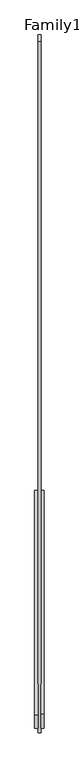
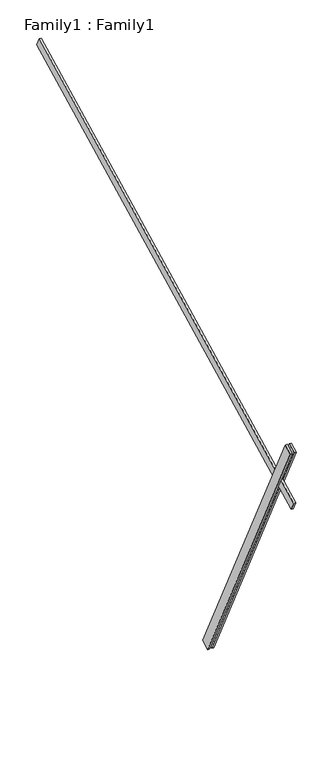
"""IFC4 building model written with IfcOpenShell, lengths in millimetres: proxy geometry, Family1 : Family1."""

from ifc_helpers import new_model, si_unit, frame, origin, place, context, project, spatial, polyline, outline, extrude, source, transform, mapped, element, save


def family1_family1_06c02d48(model_context):
    return source(origin(), model_context, "Body", "SweptSolid", [
        extrude(outline(polyline([(0.0, 0.0), (-100.0000001, 0.0), (-100.0000001, 20.0), (0.0, 20.0), (0.0, 0.0)])), frame((-30.0, -46.3241747, -22.5938096), z_axis=(0.0, -0.4383711467890692, 0.8987940462991711), x_axis=(0.0, -0.8987940462991711, -0.4383711467890692)), (0.0, 0.0, 1.0), 3300.0),
        extrude(outline(polyline([(0.0, 0.0), (-99.9999999, 0.0), (-99.9999999, 20.0), (0.0, 20.0), (0.0, 0.0)])), frame((10.0, -45.270232, -22.0797674), z_axis=(0.0, -0.4383711467890692, 0.8987940462991711), x_axis=(0.0, -0.8987940462991711, -0.4383711467890692)), (0.0, 0.0, 1.0), 3300.0),
        extrude(outline(polyline([(0.0, 20.0), (5000.0, 20.0), (5000.0, 0.0), (0.0, 0.0), (0.0, 20.0)])), frame((-10.0, 2981.4428131, 4605.039523), z_axis=(0.0, -0.45399049973954886, 0.8910065241883668), x_axis=(0.0, -0.8910065241883668, -0.45399049973954886)), (0.0, 0.0, 1.0), 100.0),
    ])


if __name__ == "__main__":
    model = new_model("IFC4")
    model_context = context("Model", 3, world=origin())
    ifc_project = project(units=[si_unit("LENGTHUNIT", "METRE", prefix="MILLI")], contexts=[model_context])
    site = spatial("IfcSite", under=ifc_project)
    building = spatial("IfcBuilding", under=site)
    placement = place(None, origin())
    family1_family1_shape = family1_family1_06c02d48(model_context)
    element("IfcBuildingElementProxy", 1, Name="Family1 : Family1", ObjectType="Family1 : Family1", at=placement, inside=building, context=model_context, shape_type="MappedRepresentation", body=[
        mapped(family1_family1_shape, transform((0.0, 0.0, 0.0), x_axis=(1.0, 0.0, 0.0), y_axis=(0.0, 1.0, 0.0), z_axis=(0.0, 0.0, 1.0))),
    ])
    save(model, "model.ifc")
